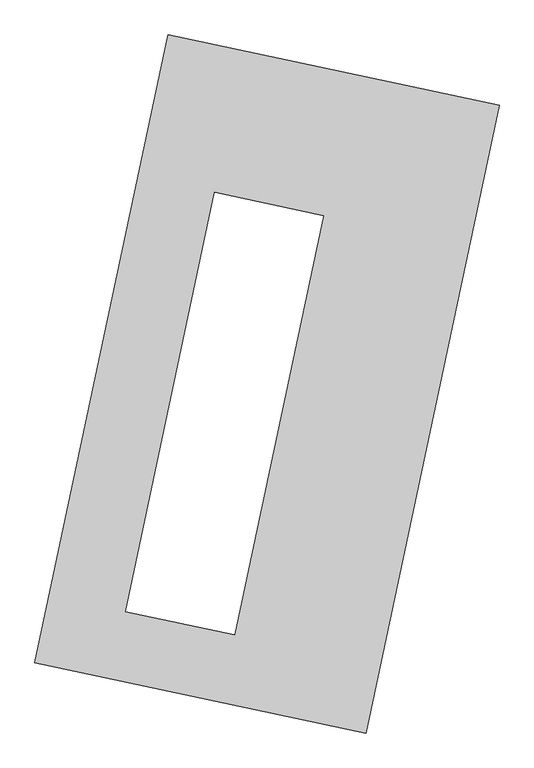
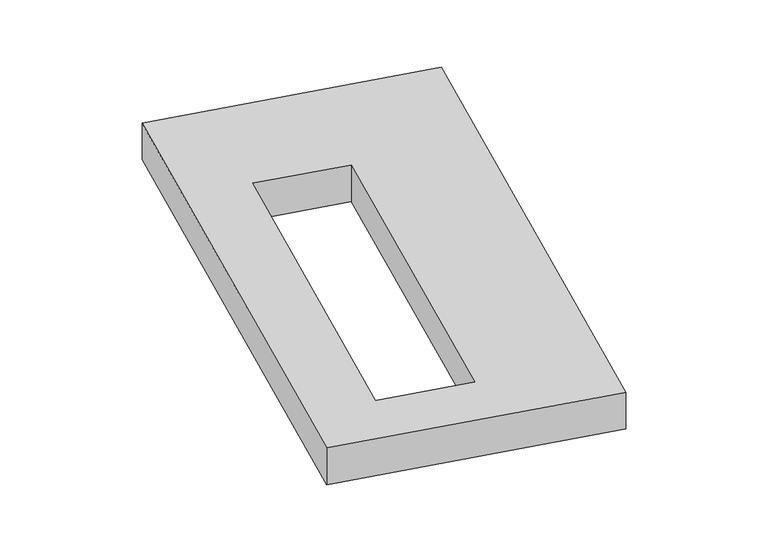
"""IFC4 building model written with IfcOpenShell, lengths in millimetres: proxy geometry."""

from ifc_helpers import new_model, si_unit, origin, origin_with_axes, place, context, project, spatial, polyline, outline, extrude, source, transform, mapped, element, save


def generic_models_d5751372(model_context):
    return source(origin(), model_context, "Body", "SweptSolid", [
        extrude(outline(polyline([(-617.3692021, 2175.5580432), (1447.7508745, 1737.3010494), (617.3692021, -2175.5580432), (-1447.7508745, -1737.3010494), (-617.3692021, 2175.5580432)]), holes=[polyline([(353.8502292, 1049.857903), (-327.794599, 1194.5156479), (-882.4268844, -1418.9789092), (-200.7820563, -1563.6366541), (353.8502292, 1049.857903)])]), origin_with_axes(), (0.0, 0.0, 1.0), 300.0),
    ])


if __name__ == "__main__":
    model = new_model("IFC4")
    model_context = context("Model", 3, world=origin())
    ifc_project = project(units=[si_unit("LENGTHUNIT", "METRE", prefix="MILLI")], contexts=[model_context])
    site = spatial("IfcSite", under=ifc_project)
    building = spatial("IfcBuilding", under=site)
    placement = place(None, origin())
    generic_models_shape = generic_models_d5751372(model_context)
    element("IfcBuildingElementProxy", 1, Name="Generic Models", at=placement, inside=building, context=model_context, shape_type="MappedRepresentation", body=[
        mapped(generic_models_shape, transform((0.0, 0.0, 0.0), x_axis=(1.0, 0.0, 0.0), y_axis=(0.0, 1.0, 0.0), z_axis=(0.0, 0.0, 1.0))),
    ])
    save(model, "model.ifc")
